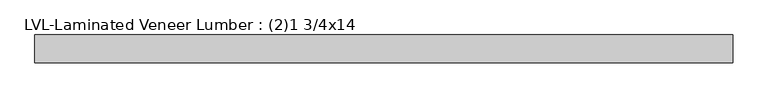
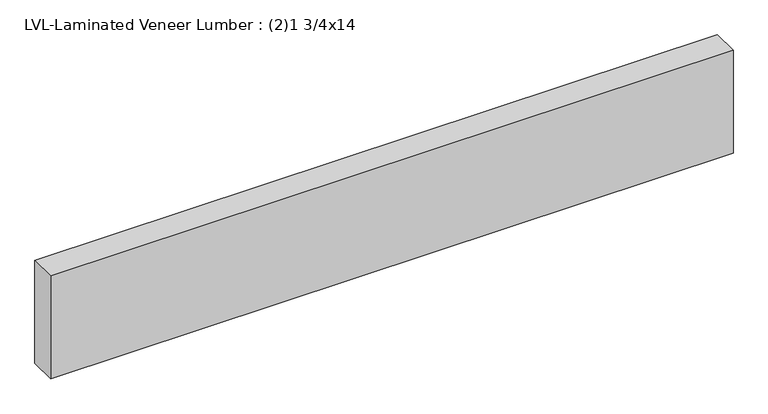
"""IFC4 building model written with IfcOpenShell, lengths in millimetres: beam geometry, LVL-Laminated Veneer Lumber : (2)1 3/4x14."""

from ifc_helpers import new_model, si_unit, frame, origin, place, context, project, spatial, polyline, outline, extrude, source, transform, mapped, element, save


def lvl_laminated_veneer_lumber_2_1_3_4x14_6133101e(model_context):
    return source(origin(), model_context, "Body", "SweptSolid", [
        extrude(outline(polyline([(1082.675, 44.45), (1082.675, -44.45), (-1152.525, -44.45), (-1152.525, 44.45), (1082.675, 44.45)])), frame((0.0, 0.0, -177.8), z_axis=(0.0, 0.0, 1.0), x_axis=(1.0, 0.0, 0.0)), (0.0, 0.0, 1.0), 355.6),
    ])


if __name__ == "__main__":
    model = new_model("IFC4")
    model_context = context("Model", 3, world=origin())
    ifc_project = project(units=[si_unit("LENGTHUNIT", "METRE", prefix="MILLI")], contexts=[model_context])
    site = spatial("IfcSite", under=ifc_project)
    building = spatial("IfcBuilding", under=site)
    placement = place(None, origin())
    lvl_laminated_veneer_lumber_2_1_3_4x14_shape = lvl_laminated_veneer_lumber_2_1_3_4x14_6133101e(model_context)
    element("IfcBeam", 1, ObjectType="LVL-Laminated Veneer Lumber : (2)1 3/4x14", at=placement, inside=building, context=model_context, shape_type="MappedRepresentation", body=[
        mapped(lvl_laminated_veneer_lumber_2_1_3_4x14_shape, transform((0.0, 0.0, 0.0), x_axis=(1.0, 0.0, 0.0), y_axis=(0.0, 1.0, 0.0), z_axis=(0.0, 0.0, 1.0))),
    ])
    save(model, "model.ifc")
